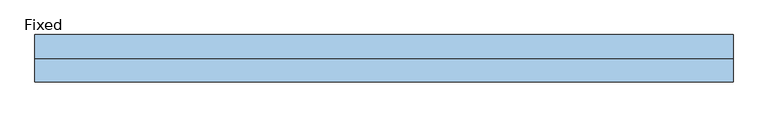
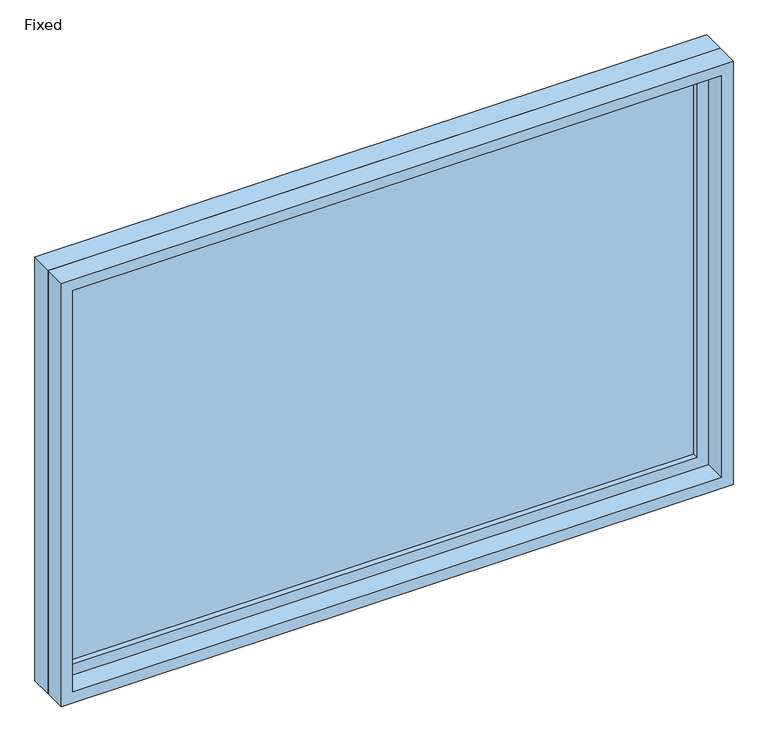
"""IFC4 building model written with IfcOpenShell, lengths in millimetres: window geometry, Fixed."""

from ifc_helpers import new_model, si_unit, frame, origin, place, context, project, spatial, polyline, outline, extrude, source, transform, mapped, element, save


def fixed_b9e6787e(model_context):
    return source(origin(), model_context, "Body", "SweptSolid", [
        extrude(outline(polyline([(812.8, 14.2875), (-889.0, 14.2875), (-889.0, 26.9875), (812.8, 26.9875), (812.8, 14.2875)])), frame((0.0, 0.0, 1130.3), z_axis=(0.0, 0.0, 1.0), x_axis=(1.0, 0.0, 0.0)), (0.0, 0.0, 1.0), 1092.2),
        extrude(outline(polyline([(2266.95, -933.45), (1085.85, -933.45), (1085.85, 857.25), (2266.95, 857.25), (2266.95, -933.45)]), holes=[polyline([(2222.5, -889.0), (2222.5, 812.8), (1130.3, 812.8), (1130.3, -889.0), (2222.5, -889.0)])]), frame((0.0, -1.5875, 0.0), z_axis=(0.0, 1.0, 0.0), x_axis=(0.0, 0.0, 1.0)), (0.0, 0.0, 1.0), 44.45),
        extrude(outline(polyline([(2286.0, -952.5), (1066.8, -952.5), (1066.8, 876.3), (2286.0, 876.3), (2286.0, -952.5)]), holes=[polyline([(2254.25, -920.75), (2254.25, 844.55), (1098.55, 844.55), (1098.55, -920.75), (2254.25, -920.75)])]), frame((0.0, -61.9125, 0.0), z_axis=(0.0, 1.0, 0.0), x_axis=(0.0, 0.0, 1.0)), (0.0, 0.0, 1.0), 60.325),
        extrude(outline(polyline([(2286.0, 876.3), (2286.0, -952.5), (1066.8, -952.5), (1066.8, 876.3), (2286.0, 876.3)]), holes=[polyline([(2266.95, 857.25), (1085.85, 857.25), (1085.85, -933.45), (2266.95, -933.45), (2266.95, 857.25)])]), frame((0.0, -1.5875, 0.0), z_axis=(0.0, 1.0, 0.0), x_axis=(0.0, 0.0, 1.0)), (0.0, 0.0, 1.0), 63.5),
    ])


if __name__ == "__main__":
    model = new_model("IFC4")
    model_context = context("Model", 3, world=origin())
    ifc_project = project(units=[si_unit("LENGTHUNIT", "METRE", prefix="MILLI")], contexts=[model_context])
    site = spatial("IfcSite", under=ifc_project)
    building = spatial("IfcBuilding", under=site)
    placement = place(None, origin())
    fixed_shape = fixed_b9e6787e(model_context)
    element("IfcWindow", 1, ObjectType="Fixed", at=placement, inside=building, context=model_context, shape_type="MappedRepresentation", body=[
        mapped(fixed_shape, transform((0.0, 0.0, 0.0), x_axis=(1.0, 0.0, 0.0), y_axis=(0.0, 1.0, 0.0), z_axis=(0.0, 0.0, 1.0))),
    ])
    save(model, "model.ifc")
